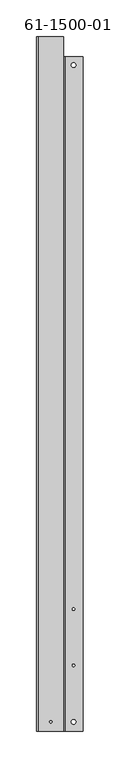
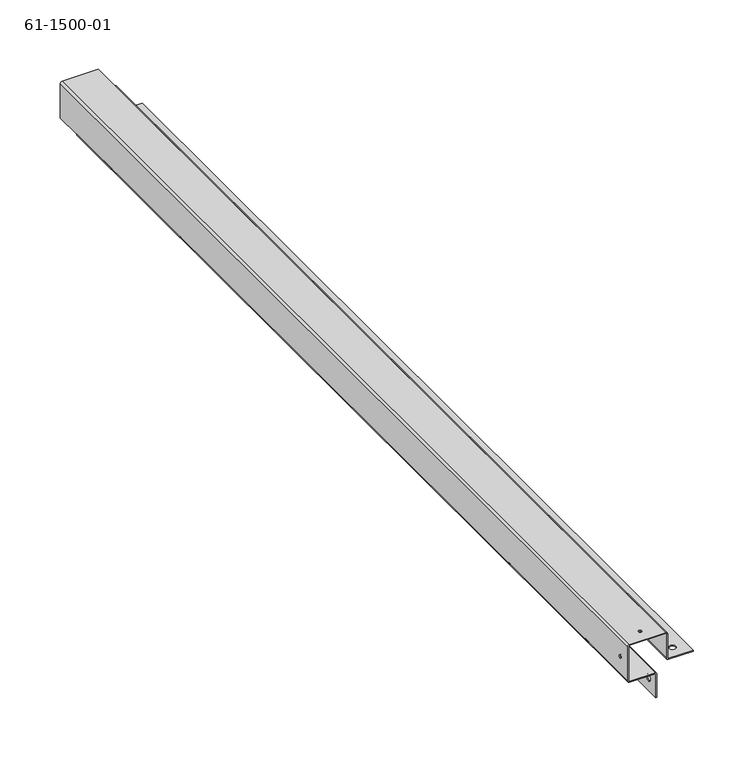
"""IFC4 building model written with IfcOpenShell, lengths in millimetres: proxy geometry, 61-1500-01."""

import ifcopenshell
import ifcopenshell.guid

model = None  # the IFC model being written
_history = None  # IfcOwnerHistory: only IFC2X3 demands one
_inside = {}  # id of a spatial element -> (the spatial element, [elements in it])
_under = {}  # id of a project, library or spatial element -> (it, [spatial elements below it])
_declared = {}  # id of a project -> (the project, [libraries it declares])
_typed = {}  # id of a type object -> (the type object, [elements of that type])
_made_of = {}  # id of a material, layer set ... -> (it, [elements and type objects made of it])


def new_model(schema):
    """Start an empty IFC model of exactly this schema.

    Asked for "IFC4X3", IfcOpenShell would pick the latest addendum, in which some entities
    have other attributes; the version numbers below select the first issue.
    IFC2X3 requires an IfcOwnerHistory on every rooted entity: one is made here for all.
    """
    global model, _history
    if schema == "IFC4X3":
        model = ifcopenshell.file(schema_version=(4, 3, 0, 0))
    else:
        model = ifcopenshell.file(schema=schema)
    _inside.clear()
    _under.clear()
    _declared.clear()
    _typed.clear()
    _made_of.clear()
    _history = None
    if model.schema == "IFC2X3":
        org = make("IfcOrganization", Name="unknown")
        user = make(
            "IfcPersonAndOrganization",
            ThePerson=make("IfcPerson", FamilyName="unknown"),
            TheOrganization=org,
        )
        app = make(
            "IfcApplication",
            ApplicationDeveloper=org,
            Version="unknown",
            ApplicationFullName="unknown",
            ApplicationIdentifier="unknown",
        )
        _history = make(
            "IfcOwnerHistory",
            OwningUser=user,
            OwningApplication=app,
            ChangeAction="ADDED",
            CreationDate=0,
        )
    return model


def make(cls, **values):
    """One entity of the class cls with the attributes given. An attribute that is None is left unset."""
    return model.create_entity(
        cls, **{name: value for name, value in values.items() if value is not None}
    )


def rooted(cls, **values):
    """An entity with a GlobalId (a new one), such as an element, a storey or a relation."""
    return make(cls, GlobalId=ifcopenshell.guid.new(), OwnerHistory=_history, **values)


def si_unit(unit_type, name, prefix=None):
    """IfcSIUnit, for example si_unit("LENGTHUNIT", "METRE", prefix="MILLI")."""
    return make("IfcSIUnit", UnitType=unit_type, Prefix=prefix, Name=name)


def assignment(units):
    """IfcUnitAssignment: the units of a project."""
    return None if units is None else make("IfcUnitAssignment", Units=units)


def point(xyz):
    """IfcCartesianPoint."""
    return None if xyz is None else make("IfcCartesianPoint", Coordinates=xyz)


def direction(xyz):
    """IfcDirection."""
    return None if xyz is None else make("IfcDirection", DirectionRatios=xyz)


def frame(location, z_axis=None, x_axis=None):
    """IfcAxis2Placement3D, a coordinate frame: its origin and axes. An axis left out is left unset."""
    return make(
        "IfcAxis2Placement3D",
        Location=point(location),
        Axis=direction(z_axis),
        RefDirection=direction(x_axis),
    )


def origin():
    """The frame at (0, 0, 0) with its axes left unset."""
    return frame((0.0, 0.0, 0.0))


def place(relative_to, where):
    """IfcLocalPlacement: puts the frame where relative to a parent placement (None: the world)."""
    return make(
        "IfcLocalPlacement", PlacementRelTo=relative_to, RelativePlacement=where
    )


def context(
    kind, dimensions, precision=None, world=None, true_north=None, identifier=None
):
    """IfcGeometricRepresentationContext, for example the 3D "Model" context."""
    return make(
        "IfcGeometricRepresentationContext",
        ContextIdentifier=identifier,
        ContextType=kind,
        CoordinateSpaceDimension=dimensions,
        Precision=precision,
        WorldCoordinateSystem=world,
        TrueNorth=true_north,
    )


def project(units=None, contexts=None):
    """IfcProject with its units and contexts."""
    return rooted(
        "IfcProject",
        Name="project",
        RepresentationContexts=contexts,
        UnitsInContext=assignment(units),
    )


def spatial(cls, under=None, at=None, **own):
    """A site, building, storey or space (cls), placed at a placement, below another one or the project."""
    s = rooted(cls, ObjectPlacement=at, **own)
    if under is not None:
        _under.setdefault(under.id(), (under, []))[1].append(s)
    return s


def polyline(points):
    """IfcPolyline through the points."""
    return make("IfcPolyline", Points=[point(p) for p in points])


def circle_curve(where, radius):
    """IfcCircle in the frame where."""
    return make("IfcCircle", Position=where, Radius=radius)


def shape(context_of_items, identifier, shape_type, items):
    """IfcShapeRepresentation: the items that make up one representation, for example the "Body"."""
    return make(
        "IfcShapeRepresentation",
        ContextOfItems=context_of_items,
        RepresentationIdentifier=identifier,
        RepresentationType=shape_type,
        Items=items,
    )


def source(mapping_origin, context_of_items, identifier, shape_type, items):
    """IfcRepresentationMap: a shape defined once, which mapped items show again and again."""
    return make(
        "IfcRepresentationMap",
        MappingOrigin=mapping_origin,
        MappedRepresentation=shape(context_of_items, identifier, shape_type, items),
    )


def transform(
    local_origin,
    x_axis=None,
    y_axis=None,
    z_axis=None,
    scale=None,
    scale2=None,
    scale3=None,
    uniform=True,
):
    """IfcCartesianTransformationOperator3D, or its non-uniform kind. x_axis, y_axis, z_axis: its Axis1, 2, 3."""
    if uniform:
        return make(
            "IfcCartesianTransformationOperator3D",
            Axis1=direction(x_axis),
            Axis2=direction(y_axis),
            LocalOrigin=point(local_origin),
            Scale=scale,
            Axis3=direction(z_axis),
        )
    return make(
        "IfcCartesianTransformationOperator3DnonUniform",
        Axis1=direction(x_axis),
        Axis2=direction(y_axis),
        LocalOrigin=point(local_origin),
        Scale=scale,
        Axis3=direction(z_axis),
        Scale2=scale2,
        Scale3=scale3,
    )


def mapped(mapping_source, mapping_target):
    """IfcMappedItem: shows the shape of a source again, moved by a transform."""
    return make(
        "IfcMappedItem", MappingSource=mapping_source, MappingTarget=mapping_target
    )


def made_of(thing, what):
    """Note that an element or type object is made of a material, layer set ...; save() writes the relation."""
    if what is not None:
        _made_of.setdefault(what.id(), (what, []))[1].append(thing)
    return thing


def element(
    cls,
    number,
    at=None,
    inside=None,
    cuts=None,
    type_object=None,
    material=None,
    context=None,
    identifier="Body",
    shape_type=None,
    held_by="IfcProductDefinitionShape",
    body=None,
    shapes=None,
    **own,
):
    """One element of the class cls, such as IfcWall. Its Tag is "e" and its number.

    at: its placement. inside: the storey or other place that contains it. cuts: it is an
    opening in that element (IfcRelVoidsElement). A single representation is given by context,
    identifier, shape_type and body (its items); several are given by shapes. held_by: the class
    of the entity that holds the representations. save() writes the other relations.
    """
    e = rooted(cls, Tag="e%d" % number, ObjectPlacement=at, **own)
    if body is not None:
        shapes = [shape(context, identifier, shape_type, body)]
    if shapes is not None:
        e.Representation = make(held_by, Representations=shapes)
    if inside is not None:
        _inside.setdefault(inside.id(), (inside, []))[1].append(e)
    if cuts is not None:
        rooted(
            "IfcRelVoidsElement", RelatingBuildingElement=cuts, RelatedOpeningElement=e
        )
    if type_object is not None:
        _typed.setdefault(type_object.id(), (type_object, []))[1].append(e)
    return made_of(e, material)


def aggregate(whole, parts):
    """IfcRelAggregates: a whole, such as a stair, and the parts it consists of."""
    return rooted("IfcRelAggregates", RelatingObject=whole, RelatedObjects=parts)


def save(model, path):
    """Write the relations noted so far, then the file.

    IfcRelAggregates (storeys below a building ...), IfcRelContainedInSpatialStructure (elements
    in a storey), IfcRelDefinesByType, IfcRelAssociatesMaterial and IfcRelDeclares: one each for
    every whole, place, type object, material and project.
    """
    for whole, parts in _under.values():
        aggregate(whole, parts)
    for where, things in _inside.values():
        rooted(
            "IfcRelContainedInSpatialStructure",
            RelatedElements=things,
            RelatingStructure=where,
        )
    for kind, things in _typed.values():
        rooted("IfcRelDefinesByType", RelatedObjects=things, RelatingType=kind)
    for what, things in _made_of.values():
        rooted("IfcRelAssociatesMaterial", RelatedObjects=things, RelatingMaterial=what)
    for by, libraries in _declared.values():
        rooted("IfcRelDeclares", RelatingContext=by, RelatedDefinitions=libraries)
    model.write(path)


def plane_surface(at):
    """IfcPlane: the flat surface through the origin of the frame at, square to its z axis."""
    return make("IfcPlane", Position=at)


def cylinder_surface(at, radius):
    """IfcCylindricalSurface: all points at the distance radius from the z axis of the frame at."""
    return make("IfcCylindricalSurface", Position=at, Radius=radius)


def revolved_surface(curve, axis_point, axis_direction):
    """IfcSurfaceOfRevolution: the curve turned about the line through axis_point along axis_direction."""
    return make(
        "IfcSurfaceOfRevolution",
        SweptCurve=make("IfcArbitraryOpenProfileDef", ProfileType="CURVE", Curve=curve),
        AxisPosition=make("IfcAxis1Placement", Location=point(axis_point), Axis=direction(axis_direction)),
    )


def advanced_brep(points, edges, surfaces, faces):
    """IfcAdvancedBrep: a solid bounded by faces that lie on surfaces and meet in shared edges.

    An edge is (start, end): straight between two places in points (the first is 0);
    or (start, end, curve); or (start, end, curve, False) where it runs against its curve.
    A face is (place in surfaces, loops), or (place, loops, False) where it looks against
    its surface's normal. A loop lists edges by number (the first is 1), with a minus sign
    where the edge is run from its end to its start. The first loop is the outer one.
    """
    corners = [point(p) for p in points]
    vertices = [make("IfcVertexPoint", VertexGeometry=c) for c in corners]
    made = []
    for start, end, *more in edges:
        made.append(
            make(
                "IfcEdgeCurve",
                EdgeStart=vertices[start],
                EdgeEnd=vertices[end],
                EdgeGeometry=more[0] if more else make("IfcPolyline", Points=[corners[start], corners[end]]),
                SameSense=more[1] if len(more) > 1 else True,
            )
        )
    hull = []
    for where, loops, *sense in faces:
        bounds = []
        for j, loop in enumerate(loops):
            ring = [make("IfcOrientedEdge", EdgeElement=made[abs(k) - 1], Orientation=k > 0) for k in loop]
            bounds.append(
                make(
                    "IfcFaceOuterBound" if j == 0 else "IfcFaceBound",
                    Bound=make("IfcEdgeLoop", EdgeList=ring),
                    Orientation=True,
                )
            )
        hull.append(make("IfcAdvancedFace", Bounds=bounds, FaceSurface=surfaces[where], SameSense=sense[0] if sense else True))
    return make("IfcAdvancedBrep", Outer=make("IfcClosedShell", CfsFaces=hull))


def proxy_61_1500_01_bc9c6f22(model_context):
    return source(origin(), model_context, "Body", "AdvancedBrep", [
        advanced_brep(
        [(-22.5148049, -201.8149599, -27.08656), (-22.5148049, -201.8149599, -26.23312), (-28.8648049, -201.8149599, -26.23312), (-28.8648049, -201.8149599, -27.08656), (-22.5148049, 687.1850401, -27.08656), (-22.5148049, 687.1850401, -26.23312), (-28.8648049, 687.1850401, -26.23312), (-28.8648049, 687.1850401, -27.08656), (-47.6963649, -201.8149599, -45.91812), (-48.5498049, -201.8149599, -45.91812), (-48.5498049, -201.8149599, -52.26812), (-47.6963649, -201.8149599, -52.26812), (-47.6963649, 687.1850401, -45.91812), (-48.5498049, 687.1850401, -45.91812), (-48.5498049, 687.1850401, -52.26812), (-47.6963649, 687.1850401, -52.26812), (-74.7829249, -201.8149599, -16.67256), (-75.6363649, -201.8149599, -16.67256), (-75.6363649, -201.8149599, -19.72056), (-74.7829249, -201.8149599, -19.72056), (-55.0623649, -201.8149599, 0.0), (-55.0623649, -201.8149599, 0.85344), (-58.1103649, -201.8149599, 0.85344), (-58.1103649, -201.8149599, 0.0), (-23.9753049, -49.1101599, -27.08656), (-23.9753049, -49.1101599, -26.23312), (-27.4043049, -49.1101599, -26.23312), (-27.4043049, -49.1101599, -27.08656), (-23.9753049, -125.3101599, -27.08656), (-23.9753049, -125.3101599, -26.23312), (-27.4043049, -125.3101599, -26.23312), (-27.4043049, -125.3101599, -27.08656), (-47.6963649, -49.1101599, -47.37862), (-48.5498049, -49.1101599, -47.37862), (-48.5498049, -49.1101599, -50.80762), (-47.6963649, -49.1101599, -50.80762), (-47.6963649, -125.3101599, -47.37862), (-48.5498049, -125.3101599, -47.37862), (-48.5498049, -125.3101599, -50.80762), (-47.6963649, -125.3101599, -50.80762), (-75.6363649, 698.3661201, -35.53968), (-73.9294849, 698.3661201, -37.24656), (-73.9294849, -214.2101599, -37.24656), (-75.6363649, -214.2101599, -35.53968), (-49.4032449, 698.3661201, -37.24656), (-49.4032449, -214.2101599, -37.24656), (-49.4032449, 698.3661201, -36.39312), (-73.9294849, 698.3661201, -36.39312), (-73.9294849, -214.2101599, -36.39312), (-49.4032449, -214.2101599, -36.39312), (-37.5363649, 698.3661201, -25.37968), (-37.5363649, 698.3661201, -0.85344), (-37.5363649, -214.2101599, -0.85344), (-37.5363649, -214.2101599, -25.37968), (-73.9294849, -214.2101599, 0.85344), (-75.6363649, -214.2101599, -0.85344), (-48.5498049, -214.2101599, -38.1), (-48.5498049, -214.2101599, -61.79312), (-47.6963649, -214.2101599, -61.79312), (-47.6963649, -214.2101599, -38.1), (-74.7829249, -214.2101599, -35.53968), (-74.7829249, -214.2101599, -0.85344), (-73.9294849, -214.2101599, 0.0), (-39.2432449, -214.2101599, 0.0), (-38.3898049, -214.2101599, -0.85344), (-38.3898049, -214.2101599, -25.37968), (-36.6829249, -214.2101599, -27.08656), (-12.9898049, -214.2101599, -27.08656), (-12.9898049, -214.2101599, -26.23312), (-36.6829249, -214.2101599, -26.23312), (-39.2432449, -214.2101599, 0.85344), (-38.3898049, 698.3661201, -25.37968), (-36.6829249, 698.3661201, -27.08656), (-38.3898049, 698.3661201, -0.85344), (-39.2432449, 698.3661201, 0.0), (-73.9294849, 725.2850401, 0.0), (-39.2432449, 725.2850401, 0.0), (-74.7829249, 725.2850401, -0.85344), (-73.9294849, 725.2850401, 0.85344), (-75.6363649, 725.2850401, -0.85344), (-39.2432449, 698.3661201, 0.85344), (-39.2432449, 725.2850401, 0.85344), (-74.7829249, 698.3661201, -35.53968), (-74.7829249, 725.2850401, -35.53968), (-47.6963649, 698.3661201, -38.1), (-47.6963649, 698.3661201, -61.79312), (-48.5498049, 698.3661201, -61.79312), (-48.5498049, 698.3661201, -38.1), (-36.6829249, 698.3661201, -26.23312), (-12.9898049, 698.3661201, -26.23312), (-12.9898049, 698.3661201, -27.08656), (-75.6363649, 725.2850401, -35.53968)],
        [
            (0, 1),
            (1, 2, circle_curve(frame((-25.6898049, -201.8149599, -26.23312), z_axis=(0.0, 0.0, 1.0), x_axis=(1.0, 0.0, 0.0)), 3.175)),
            (2, 3),
            (3, 0, circle_curve(frame((-25.6898049, -201.8149599, -27.08656), z_axis=(0.0, 0.0, -1.0), x_axis=(1.0, 0.0, 0.0)), 3.175)),
            (4, 5),
            (5, 6, circle_curve(frame((-25.6898049, 687.1850401, -26.23312), z_axis=(0.0, 0.0, 1.0), x_axis=(1.0, 0.0, 0.0)), 3.175)),
            (6, 7),
            (7, 4, circle_curve(frame((-25.6898049, 687.1850401, -27.08656), z_axis=(0.0, 0.0, -1.0), x_axis=(1.0, 0.0, 0.0)), 3.175)),
            (8, 9),
            (9, 10, circle_curve(frame((-48.5498049, -201.8149599, -49.09312), z_axis=(-1.0, 0.0, 0.0), x_axis=(0.0, 0.0, 1.0)), 3.175)),
            (10, 11),
            (11, 8, circle_curve(frame((-47.6963649, -201.8149599, -49.09312), z_axis=(1.0, 0.0, 0.0), x_axis=(0.0, 0.0, 1.0)), 3.175)),
            (12, 13),
            (13, 14, circle_curve(frame((-48.5498049, 687.1850401, -49.09312), z_axis=(-1.0, 0.0, 0.0), x_axis=(0.0, 0.0, 1.0)), 3.175)),
            (14, 15),
            (15, 12, circle_curve(frame((-47.6963649, 687.1850401, -49.09312), z_axis=(1.0, 0.0, 0.0), x_axis=(0.0, 0.0, 1.0)), 3.175)),
            (16, 17),
            (17, 18, circle_curve(frame((-75.6363649, -201.8149599, -18.19656), z_axis=(-1.0, 0.0, 0.0), x_axis=(0.0, 0.0, 1.0)), 1.524)),
            (18, 19),
            (19, 16, circle_curve(frame((-74.7829249, -201.8149599, -18.19656), z_axis=(1.0, 0.0, 0.0), x_axis=(0.0, 0.0, 1.0)), 1.524)),
            (20, 21),
            (21, 22, circle_curve(frame((-56.5863649, -201.8149599, 0.85344), z_axis=(0.0, 0.0, 1.0), x_axis=(1.0, 0.0, 0.0)), 1.524)),
            (22, 23),
            (23, 20, circle_curve(frame((-56.5863649, -201.8149599, 0.0), z_axis=(0.0, 0.0, -1.0), x_axis=(1.0, 0.0, 0.0)), 1.524)),
            (24, 25),
            (25, 26, circle_curve(frame((-25.6898049, -49.1101599, -26.23312), z_axis=(0.0, 0.0, 1.0), x_axis=(1.0, 0.0, 0.0)), 1.7145)),
            (26, 27),
            (27, 24, circle_curve(frame((-25.6898049, -49.1101599, -27.08656), z_axis=(0.0, 0.0, -1.0), x_axis=(1.0, 0.0, 0.0)), 1.7145)),
            (28, 29),
            (29, 30, circle_curve(frame((-25.6898049, -125.3101599, -26.23312), z_axis=(0.0, 0.0, 1.0), x_axis=(1.0, 0.0, 0.0)), 1.7145)),
            (30, 31),
            (31, 28, circle_curve(frame((-25.6898049, -125.3101599, -27.08656), z_axis=(0.0, 0.0, -1.0), x_axis=(1.0, 0.0, 0.0)), 1.7145)),
            (32, 33),
            (33, 34, circle_curve(frame((-48.5498049, -49.1101599, -49.09312), z_axis=(-1.0, 0.0, 0.0), x_axis=(0.0, 0.0, 1.0)), 1.7145)),
            (34, 35),
            (35, 32, circle_curve(frame((-47.6963649, -49.1101599, -49.09312), z_axis=(1.0, 0.0, 0.0), x_axis=(0.0, 0.0, 1.0)), 1.7145)),
            (36, 37),
            (37, 38, circle_curve(frame((-48.5498049, -125.3101599, -49.09312), z_axis=(-1.0, 0.0, 0.0), x_axis=(0.0, 0.0, 1.0)), 1.7145)),
            (38, 39),
            (39, 36, circle_curve(frame((-47.6963649, -125.3101599, -49.09312), z_axis=(1.0, 0.0, 0.0), x_axis=(0.0, 0.0, 1.0)), 1.7145)),
            (40, 41, circle_curve(frame((-73.9294849, 698.3661201, -35.53968), z_axis=(0.0, -1.0, 0.0), x_axis=(-1.0, 0.0, 0.0)), 1.70688)),
            (41, 42),
            (42, 43, circle_curve(frame((-73.9294849, -214.2101599, -35.53968), z_axis=(0.0, 1.0, 0.0), x_axis=(-1.0, 0.0, 0.0)), 1.70688)),
            (43, 40),
            (41, 44),
            (44, 45),
            (45, 42),
            (46, 47),
            (47, 48),
            (48, 49),
            (49, 46),
            (50, 51),
            (51, 52),
            (52, 53),
            (53, 50),
            (36, 39, circle_curve(frame((-47.6963649, -125.3101599, -49.09312), z_axis=(1.0, 0.0, 0.0), x_axis=(0.0, 0.0, 1.0)), 1.7145)),
            (38, 37, circle_curve(frame((-48.5498049, -125.3101599, -49.09312), z_axis=(-1.0, 0.0, 0.0), x_axis=(0.0, 0.0, 1.0)), 1.7145)),
            (32, 35, circle_curve(frame((-47.6963649, -49.1101599, -49.09312), z_axis=(1.0, 0.0, 0.0), x_axis=(0.0, 0.0, 1.0)), 1.7145)),
            (34, 33, circle_curve(frame((-48.5498049, -49.1101599, -49.09312), z_axis=(-1.0, 0.0, 0.0), x_axis=(0.0, 0.0, 1.0)), 1.7145)),
            (28, 31, circle_curve(frame((-25.6898049, -125.3101599, -27.08656), z_axis=(0.0, 0.0, -1.0), x_axis=(1.0, 0.0, 0.0)), 1.7145)),
            (30, 29, circle_curve(frame((-25.6898049, -125.3101599, -26.23312), z_axis=(0.0, 0.0, 1.0), x_axis=(1.0, 0.0, 0.0)), 1.7145)),
            (24, 27, circle_curve(frame((-25.6898049, -49.1101599, -27.08656), z_axis=(0.0, 0.0, -1.0), x_axis=(1.0, 0.0, 0.0)), 1.7145)),
            (26, 25, circle_curve(frame((-25.6898049, -49.1101599, -26.23312), z_axis=(0.0, 0.0, 1.0), x_axis=(1.0, 0.0, 0.0)), 1.7145)),
            (54, 55, circle_curve(frame((-73.9294849, -214.2101599, -0.85344), z_axis=(0.0, -1.0, 0.0), x_axis=(0.0, 0.0, 1.0)), 1.70688)),
            (55, 43),
            (45, 56, circle_curve(frame((-49.4032449, -214.2101599, -38.1), z_axis=(0.0, 1.0, 0.0), x_axis=(0.0, 0.0, 1.0)), 0.85344)),
            (56, 57),
            (57, 58),
            (58, 59),
            (59, 49, circle_curve(frame((-49.4032449, -214.2101599, -38.1), z_axis=(0.0, -1.0, 0.0), x_axis=(0.0, 0.0, 1.0)), 1.70688)),
            (48, 60, circle_curve(frame((-73.9294849, -214.2101599, -35.53968), z_axis=(0.0, 1.0, 0.0), x_axis=(-1.0, 0.0, 0.0)), 0.85344)),
            (60, 61),
            (61, 62, circle_curve(frame((-73.9294849, -214.2101599, -0.85344), z_axis=(0.0, 1.0, 0.0), x_axis=(0.0, 0.0, 1.0)), 0.85344)),
            (62, 63),
            (63, 64, circle_curve(frame((-39.2432449, -214.2101599, -0.85344), z_axis=(0.0, 1.0, 0.0), x_axis=(0.0, 0.0, 1.0)), 0.85344)),
            (64, 65),
            (65, 66, circle_curve(frame((-36.6829249, -214.2101599, -25.37968), z_axis=(0.0, -1.0, 0.0), x_axis=(-1.0, 0.0, 0.0)), 1.70688)),
            (66, 67),
            (67, 68),
            (68, 69),
            (69, 53, circle_curve(frame((-36.6829249, -214.2101599, -25.37968), z_axis=(0.0, 1.0, 0.0), x_axis=(-1.0, 0.0, 0.0)), 0.85344)),
            (52, 70, circle_curve(frame((-39.2432449, -214.2101599, -0.85344), z_axis=(0.0, -1.0, 0.0), x_axis=(0.0, 0.0, 1.0)), 1.70688)),
            (70, 54),
            (65, 71),
            (71, 72, circle_curve(frame((-36.6829249, 698.3661201, -25.37968), z_axis=(0.0, -1.0, 0.0), x_axis=(-1.0, 0.0, 0.0)), 1.70688)),
            (72, 66),
            (73, 71),
            (64, 73),
            (74, 73, circle_curve(frame((-39.2432449, 698.3661201, -0.85344), z_axis=(0.0, 1.0, 0.0), x_axis=(0.0, 0.0, 1.0)), 0.85344)),
            (63, 74),
            (62, 75),
            (75, 76),
            (76, 74),
            (23, 20, circle_curve(frame((-56.5863649, -201.8149599, 0.0), z_axis=(0.0, 0.0, 1.0), x_axis=(1.0, 0.0, 0.0)), 1.524)),
            (61, 77),
            (77, 75, circle_curve(frame((-73.9294849, 725.2850401, -0.85344), z_axis=(0.0, 1.0, 0.0), x_axis=(0.0, 0.0, 1.0)), 0.85344)),
            (54, 78),
            (78, 79, circle_curve(frame((-73.9294849, 725.2850401, -0.85344), z_axis=(0.0, -1.0, 0.0), x_axis=(0.0, 0.0, 1.0)), 1.70688)),
            (79, 55),
            (70, 80),
            (80, 81),
            (81, 78),
            (21, 22, circle_curve(frame((-56.5863649, -201.8149599, 0.85344), z_axis=(0.0, 0.0, -1.0), x_axis=(1.0, 0.0, 0.0)), 1.524)),
            (60, 82),
            (82, 83),
            (83, 77),
            (19, 16, circle_curve(frame((-74.7829249, -201.8149599, -18.19656), z_axis=(-1.0, 0.0, 0.0), x_axis=(0.0, 0.0, 1.0)), 1.524)),
            (47, 82, circle_curve(frame((-73.9294849, 698.3661201, -35.53968), z_axis=(0.0, 1.0, 0.0), x_axis=(-1.0, 0.0, 0.0)), 0.85344)),
            (59, 84),
            (84, 46, circle_curve(frame((-49.4032449, 698.3661201, -38.1), z_axis=(0.0, -1.0, 0.0), x_axis=(0.0, 0.0, 1.0)), 1.70688)),
            (58, 85),
            (85, 84),
            (11, 8, circle_curve(frame((-47.6963649, -201.8149599, -49.09312), z_axis=(-1.0, 0.0, 0.0), x_axis=(0.0, 0.0, 1.0)), 3.175)),
            (15, 12, circle_curve(frame((-47.6963649, 687.1850401, -49.09312), z_axis=(-1.0, 0.0, 0.0), x_axis=(0.0, 0.0, 1.0)), 3.175)),
            (18, 17, circle_curve(frame((-75.6363649, -201.8149599, -18.19656), z_axis=(-1.0, 0.0, 0.0), x_axis=(0.0, 0.0, 1.0)), 1.524)),
            (85, 86),
            (86, 87),
            (87, 44, circle_curve(frame((-49.4032449, 698.3661201, -38.1), z_axis=(0.0, -1.0, 0.0), x_axis=(0.0, 0.0, 1.0)), 0.85344)),
            (40, 82),
            (74, 80),
            (80, 51, circle_curve(frame((-39.2432449, 698.3661201, -0.85344), z_axis=(0.0, 1.0, 0.0), x_axis=(0.0, 0.0, 1.0)), 1.70688)),
            (50, 88, circle_curve(frame((-36.6829249, 698.3661201, -25.37968), z_axis=(0.0, -1.0, 0.0), x_axis=(-1.0, 0.0, 0.0)), 0.85344)),
            (88, 89),
            (89, 90),
            (90, 72),
            (90, 67),
            (3, 0, circle_curve(frame((-25.6898049, -201.8149599, -27.08656), z_axis=(0.0, 0.0, 1.0), x_axis=(1.0, 0.0, 0.0)), 3.175)),
            (7, 4, circle_curve(frame((-25.6898049, 687.1850401, -27.08656), z_axis=(0.0, 0.0, 1.0), x_axis=(1.0, 0.0, 0.0)), 3.175)),
            (89, 68),
            (88, 69),
            (1, 2, circle_curve(frame((-25.6898049, -201.8149599, -26.23312), z_axis=(0.0, 0.0, -1.0), x_axis=(1.0, 0.0, 0.0)), 3.175)),
            (5, 6, circle_curve(frame((-25.6898049, 687.1850401, -26.23312), z_axis=(0.0, 0.0, -1.0), x_axis=(1.0, 0.0, 0.0)), 3.175)),
            (14, 13, circle_curve(frame((-48.5498049, 687.1850401, -49.09312), z_axis=(-1.0, 0.0, 0.0), x_axis=(0.0, 0.0, 1.0)), 3.175)),
            (10, 9, circle_curve(frame((-48.5498049, -201.8149599, -49.09312), z_axis=(-1.0, 0.0, 0.0), x_axis=(0.0, 0.0, 1.0)), 3.175)),
            (87, 56),
            (79, 91),
            (91, 40),
            (91, 83),
            (76, 81),
            (57, 86),
        ],
        [
            revolved_surface(polyline([(-22.514804899999998, -201.8149599, -26.23312), (-22.514804899999998, -201.8149599, -27.08656)]), (-25.6898049, -201.8149599, -35.75812), (0.0, 0.0, 1.0)),
            revolved_surface(polyline([(-22.514804899999998, 687.1850401, -26.23312), (-22.514804899999998, 687.1850401, -27.08656)]), (-25.6898049, 687.1850401, -35.75812), (0.0, 0.0, 1.0)),
            revolved_surface(polyline([(-48.5498049, -201.8149599, -45.91812), (-47.6963649, -201.8149599, -45.91812)]), (-39.0248049, -201.8149599, -49.09312), (-1.0, 0.0, 0.0)),
            revolved_surface(polyline([(-48.5498049, 687.1850401, -45.91812), (-47.6963649, 687.1850401, -45.91812)]), (-39.0248049, 687.1850401, -49.09312), (-1.0, 0.0, 0.0)),
            revolved_surface(polyline([(-75.6363649, -201.8149599, -16.67256), (-74.7829249, -201.8149599, -16.67256)]), (-66.1113649, -201.8149599, -18.19656), (-1.0, 0.0, 0.0)),
            revolved_surface(polyline([(-55.0623649, -201.8149599, 0.8534399999999991), (-55.0623649, -201.8149599, 0.0)]), (-56.5863649, -201.8149599, -8.67156), (0.0, 0.0, 1.0)),
            revolved_surface(polyline([(-23.975304899999998, -49.1101599, -26.23312), (-23.975304899999998, -49.1101599, -27.08656)]), (-25.6898049, -49.1101599, -35.75812), (0.0, 0.0, 1.0)),
            revolved_surface(polyline([(-23.975304899999998, -125.3101599, -26.23312), (-23.975304899999998, -125.3101599, -27.08656)]), (-25.6898049, -125.3101599, -35.75812), (0.0, 0.0, 1.0)),
            revolved_surface(polyline([(-48.5498049, -49.1101599, -47.37862), (-47.6963649, -49.1101599, -47.37862)]), (-39.0248049, -49.1101599, -49.09312), (-1.0, 0.0, 0.0)),
            revolved_surface(polyline([(-48.5498049, -125.3101599, -47.37862), (-47.6963649, -125.3101599, -47.37862)]), (-39.0248049, -125.3101599, -49.09312), (-1.0, 0.0, 0.0)),
            cylinder_surface(frame((-73.9294849, 242.6850401, -35.53968), z_axis=(0.0, -1.0, 0.0), x_axis=(-1.0, 0.0, 0.0)), 1.70688),
            plane_surface(frame((-61.6663649, 242.6850401, -37.24656), z_axis=(0.0, 0.0, -1.0), x_axis=(1.0, 0.0, 0.0))),
            plane_surface(frame((-61.6663649, 242.6850401, -36.39312), z_axis=(0.0, 0.0, 1.0), x_axis=(1.0, 0.0, 0.0))),
            plane_surface(frame((-37.5363649, 242.6850401, -13.11656), z_axis=(1.0, 0.0, 0.0), x_axis=(0.0, 0.0, -1.0))),
            plane_surface(frame((-75.6363649, -214.2101599, 0.85344), z_axis=(0.0, -1.0, 0.0), x_axis=(0.0, 0.0, 1.0))),
            cylinder_surface(frame((-36.6829249, 242.6850401, -25.37968), z_axis=(0.0, -1.0, 0.0), x_axis=(-1.0, 0.0, 0.0)), 1.70688),
            plane_surface(frame((-38.3898049, 242.6850401, -13.11656), z_axis=(-1.0, 0.0, 0.0), x_axis=(0.0, 0.0, -1.0))),
            revolved_surface(polyline([(-39.2432449, 698.3661201, 0.0), (-39.2432449, -214.21015990000004, 0.0)]), (-39.2432449, 242.6850401, -0.85344), (0.0, 1.0, 0.0)),
            plane_surface(frame((-56.5863649, 255.3850401, 0.0), z_axis=(0.0, 0.0, -1.0), x_axis=(1.0, 0.0, 0.0))),
            revolved_surface(polyline([(-73.9294849, -214.21015989999998, 0.0), (-73.9294849, 725.2850401, 0.0)]), (-73.9294849, 255.3850401, -0.85344), (0.0, -1.0, 0.0)),
            cylinder_surface(frame((-73.9294849, 255.3850401, -0.85344), z_axis=(0.0, -1.0, 0.0), x_axis=(0.0, 0.0, 1.0)), 1.70688),
            plane_surface(frame((-56.5863649, 255.3850401, 0.85344), z_axis=(0.0, 0.0, 1.0), x_axis=(1.0, 0.0, 0.0))),
            plane_surface(frame((-74.7829249, 255.3850401, -18.19656), z_axis=(1.0, 0.0, 0.0), x_axis=(0.0, 0.0, -1.0))),
            revolved_surface(polyline([(-74.78292490000001, -214.21015990000004, -35.53968), (-74.78292490000001, 698.3661201, -35.53968)]), (-73.9294849, 242.6850401, -35.53968), (0.0, -1.0, 0.0)),
            cylinder_surface(frame((-49.4032449, 242.6850401, -38.1), z_axis=(0.0, 1.0, 0.0), x_axis=(0.0, 0.0, 1.0)), 1.70688),
            plane_surface(frame((-47.6963649, 242.6850401, -49.09312), z_axis=(1.0, 0.0, 0.0), x_axis=(0.0, 0.0, -1.0))),
            plane_surface(frame((-47.6963649, 698.3661201, -35.53968), z_axis=(0.0, 1.0, 0.0), x_axis=(0.0, 0.0, -1.0))),
            plane_surface(frame((-12.9898049, 698.3661201, -27.08656), z_axis=(0.0, 1.0, 0.0), x_axis=(0.0, 0.0, -1.0))),
            plane_surface(frame((-25.6898049, 242.6850401, -27.08656), z_axis=(0.0, 0.0, -1.0), x_axis=(1.0, 0.0, 0.0))),
            plane_surface(frame((-12.9898049, 699.8850401, -27.08656), z_axis=(1.0, 0.0, 0.0), x_axis=(0.0, 0.0, -1.0))),
            plane_surface(frame((-25.6898049, 242.6850401, -26.23312), z_axis=(0.0, 0.0, 1.0), x_axis=(1.0, 0.0, 0.0))),
            revolved_surface(polyline([(-37.5363649, -214.21015990000004, -25.37968), (-37.5363649, 698.3661201, -25.37968)]), (-36.6829249, 242.6850401, -25.37968), (0.0, -1.0, 0.0)),
            revolved_surface(polyline([(-49.4032449, 698.3661201, -37.24656), (-49.4032449, -214.21015990000004, -37.24656)]), (-49.4032449, 242.6850401, -38.1), (0.0, 1.0, 0.0)),
            plane_surface(frame((-75.6363649, 255.3850401, -18.19656), z_axis=(-1.0, 0.0, 0.0), x_axis=(0.0, 0.0, -1.0))),
            plane_surface(frame((-75.6363649, -214.5149599, -35.53968), z_axis=(0.0, 0.0, -1.0), x_axis=(1.0, 0.0, 0.0))),
            cylinder_surface(frame((-39.2432449, 242.6850401, -0.85344), z_axis=(0.0, 1.0, 0.0), x_axis=(0.0, 0.0, 1.0)), 1.70688),
            plane_surface(frame((-39.2432449, 699.8850401, 0.85344), z_axis=(1.0, 0.0, 0.0), x_axis=(0.0, 0.0, 1.0))),
            plane_surface(frame((-75.6363649, 725.2850401, 0.85344), z_axis=(0.0, 1.0, 0.0), x_axis=(0.0, 0.0, 1.0))),
            plane_surface(frame((-47.6963649, -214.5149599, -61.79312), z_axis=(0.0, 0.0, -1.0), x_axis=(-1.0, 0.0, 0.0))),
            plane_surface(frame((-48.5498049, 242.6850401, -49.09312), z_axis=(-1.0, 0.0, 0.0), x_axis=(0.0, 0.0, -1.0))),
        ],
        [
            (0, [[1, 2, 3, 4]]),
            (1, [[5, 6, 7, 8]]),
            (2, [[9, 10, 11, 12]]),
            (3, [[13, 14, 15, 16]]),
            (4, [[17, 18, 19, 20]]),
            (5, [[21, 22, 23, 24]]),
            (6, [[25, 26, 27, 28]]),
            (7, [[29, 30, 31, 32]]),
            (8, [[33, 34, 35, 36]]),
            (9, [[37, 38, 39, 40]]),
            (10, [[41, 42, 43, 44]]),
            (11, [[45, 46, 47, -42]]),
            (12, [[48, 49, 50, 51]]),
            (13, [[52, 53, 54, 55]]),
            (9, [[-37, 56, -39, 57]]),
            (8, [[-33, 58, -35, 59]]),
            (7, [[-29, 60, -31, 61]]),
            (6, [[-25, 62, -27, 63]]),
            (14, [[64, 65, -43, -47, 66, 67, 68, 69, 70, -50, 71, 72, 73, 74, 75, 76, 77, 78, 79, 80, 81, -54, 82, 83]]),
            (15, [[-77, 84, 85, 86]]),
            (16, [[87, -84, -76, 88]]),
            (17, [[89, -88, -75, 90]]),
            (18, [[-74, 91, 92, 93, -90], [94, -24]]),
            (19, [[-73, 95, 96, -91]]),
            (20, [[-64, 97, 98, 99]]),
            (21, [[-83, 100, 101, 102, -97], [103, -22]]),
            (22, [[-72, 104, 105, 106, -95], [107, -20]]),
            (23, [[108, -104, -71, -49]]),
            (24, [[-70, 109, 110, -51]]),
            (25, [[-69, 111, 112, -109], [-56, -40], [-58, -36], [113, -12], [114, -16]]),
            (5, [[-21, -94, -23, -103]]),
            (4, [[-17, -107, -19, 115]]),
            (26, [[-110, -112, 116, 117, 118, -45, -41, 119, -108, -48]]),
            (27, [[-85, -87, -89, 120, 121, -52, 122, 123, 124, 125]]),
            (28, [[-78, -86, -125, 126], [-60, -32], [-62, -28], [127, -4], [128, -8]]),
            (29, [[-79, -126, -124, 129]]),
            (30, [[-80, -129, -123, 130], [-61, -30], [-63, -26], [131, -2], [132, -6]]),
            (31, [[-81, -130, -122, -55]]),
            (3, [[-13, -114, -15, 133]]),
            (2, [[-9, -113, -11, 134]]),
            (1, [[-5, -128, -7, -132]]),
            (0, [[-1, -127, -3, -131]]),
            (32, [[-66, -46, -118, 135]]),
            (33, [[-65, -99, 136, 137, -44], [-115, -18]]),
            (34, [[-137, 138, -105, -119]]),
            (35, [[-121, -100, -82, -53]]),
            (36, [[-93, 139, -101, -120]]),
            (37, [[-138, -136, -98, -102, -139, -92, -96, -106]]),
            (38, [[-68, 140, -116, -111]]),
            (39, [[-67, -135, -117, -140], [-57, -38], [-59, -34], [-133, -14], [-134, -10]]),
        ],
    ),
    ])


if __name__ == "__main__":
    model = new_model("IFC4")
    model_context = context("Model", 3, world=origin())
    ifc_project = project(units=[si_unit("LENGTHUNIT", "METRE", prefix="MILLI")], contexts=[model_context])
    site = spatial("IfcSite", under=ifc_project)
    building = spatial("IfcBuilding", under=site)
    placement = place(None, origin())
    proxy_61_1500_01_shape = proxy_61_1500_01_bc9c6f22(model_context)
    element("IfcBuildingElementProxy", 1, Name="61-1500-01", ObjectType="61-1500-01", at=placement, inside=building, context=model_context, shape_type="MappedRepresentation", body=[
        mapped(proxy_61_1500_01_shape, transform((0.0, 0.0, 0.0), x_axis=(1.0, 0.0, 0.0), y_axis=(0.0, 1.0, 0.0), z_axis=(0.0, 0.0, 1.0))),
    ])
    save(model, "model.ifc")
